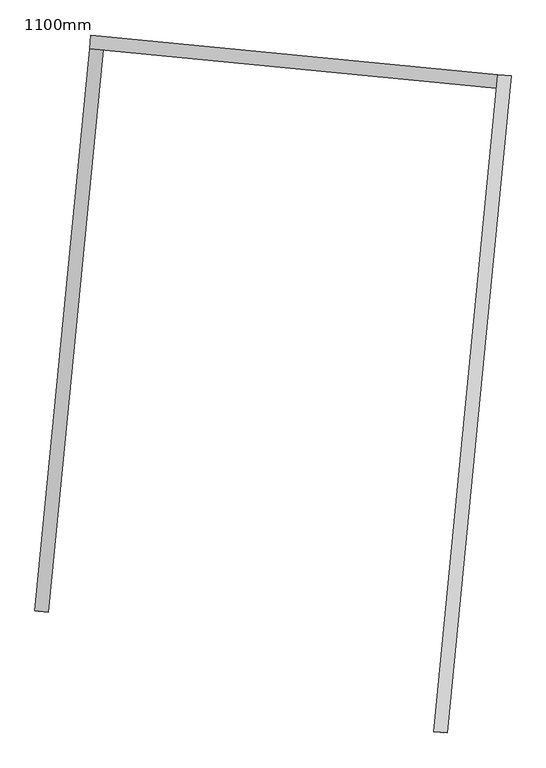
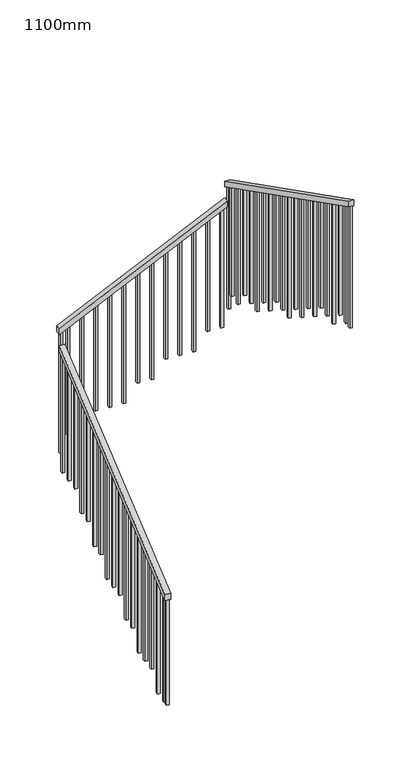
"""IFC4 building model written with IfcOpenShell, lengths in millimetres: railing geometry, 1100mm."""

import ifcopenshell
import ifcopenshell.guid

model = None  # the IFC model being written
_history = None  # IfcOwnerHistory: only IFC2X3 demands one
_inside = {}  # id of a spatial element -> (the spatial element, [elements in it])
_under = {}  # id of a project, library or spatial element -> (it, [spatial elements below it])
_declared = {}  # id of a project -> (the project, [libraries it declares])
_typed = {}  # id of a type object -> (the type object, [elements of that type])
_made_of = {}  # id of a material, layer set ... -> (it, [elements and type objects made of it])


def new_model(schema):
    """Start an empty IFC model of exactly this schema.

    Asked for "IFC4X3", IfcOpenShell would pick the latest addendum, in which some entities
    have other attributes; the version numbers below select the first issue.
    IFC2X3 requires an IfcOwnerHistory on every rooted entity: one is made here for all.
    """
    global model, _history
    if schema == "IFC4X3":
        model = ifcopenshell.file(schema_version=(4, 3, 0, 0))
    else:
        model = ifcopenshell.file(schema=schema)
    _inside.clear()
    _under.clear()
    _declared.clear()
    _typed.clear()
    _made_of.clear()
    _history = None
    if model.schema == "IFC2X3":
        org = make("IfcOrganization", Name="unknown")
        user = make(
            "IfcPersonAndOrganization",
            ThePerson=make("IfcPerson", FamilyName="unknown"),
            TheOrganization=org,
        )
        app = make(
            "IfcApplication",
            ApplicationDeveloper=org,
            Version="unknown",
            ApplicationFullName="unknown",
            ApplicationIdentifier="unknown",
        )
        _history = make(
            "IfcOwnerHistory",
            OwningUser=user,
            OwningApplication=app,
            ChangeAction="ADDED",
            CreationDate=0,
        )
    return model


def make(cls, **values):
    """One entity of the class cls with the attributes given. An attribute that is None is left unset."""
    return model.create_entity(
        cls, **{name: value for name, value in values.items() if value is not None}
    )


def rooted(cls, **values):
    """An entity with a GlobalId (a new one), such as an element, a storey or a relation."""
    return make(cls, GlobalId=ifcopenshell.guid.new(), OwnerHistory=_history, **values)


def si_unit(unit_type, name, prefix=None):
    """IfcSIUnit, for example si_unit("LENGTHUNIT", "METRE", prefix="MILLI")."""
    return make("IfcSIUnit", UnitType=unit_type, Prefix=prefix, Name=name)


def assignment(units):
    """IfcUnitAssignment: the units of a project."""
    return None if units is None else make("IfcUnitAssignment", Units=units)


def point(xyz):
    """IfcCartesianPoint."""
    return None if xyz is None else make("IfcCartesianPoint", Coordinates=xyz)


def direction(xyz):
    """IfcDirection."""
    return None if xyz is None else make("IfcDirection", DirectionRatios=xyz)


def frame(location, z_axis=None, x_axis=None):
    """IfcAxis2Placement3D, a coordinate frame: its origin and axes. An axis left out is left unset."""
    return make(
        "IfcAxis2Placement3D",
        Location=point(location),
        Axis=direction(z_axis),
        RefDirection=direction(x_axis),
    )


def origin():
    """The frame at (0, 0, 0) with its axes left unset."""
    return frame((0.0, 0.0, 0.0))


def place(relative_to, where):
    """IfcLocalPlacement: puts the frame where relative to a parent placement (None: the world)."""
    return make(
        "IfcLocalPlacement", PlacementRelTo=relative_to, RelativePlacement=where
    )


def context(
    kind, dimensions, precision=None, world=None, true_north=None, identifier=None
):
    """IfcGeometricRepresentationContext, for example the 3D "Model" context."""
    return make(
        "IfcGeometricRepresentationContext",
        ContextIdentifier=identifier,
        ContextType=kind,
        CoordinateSpaceDimension=dimensions,
        Precision=precision,
        WorldCoordinateSystem=world,
        TrueNorth=true_north,
    )


def project(units=None, contexts=None):
    """IfcProject with its units and contexts."""
    return rooted(
        "IfcProject",
        Name="project",
        RepresentationContexts=contexts,
        UnitsInContext=assignment(units),
    )


def spatial(cls, under=None, at=None, **own):
    """A site, building, storey or space (cls), placed at a placement, below another one or the project."""
    s = rooted(cls, ObjectPlacement=at, **own)
    if under is not None:
        _under.setdefault(under.id(), (under, []))[1].append(s)
    return s


def polyline(points):
    """IfcPolyline through the points."""
    return make("IfcPolyline", Points=[point(p) for p in points])


def outline(outer, holes=None, kind="AREA"):
    """IfcArbitraryClosedProfileDef: a profile drawn as a closed curve; with holes, ...WithVoids."""
    if holes is None:
        return make("IfcArbitraryClosedProfileDef", ProfileType=kind, OuterCurve=outer)
    return make(
        "IfcArbitraryProfileDefWithVoids",
        ProfileType=kind,
        OuterCurve=outer,
        InnerCurves=holes,
    )


def extrude(swept, where, along, depth):
    """IfcExtrudedAreaSolid: the profile swept, set in the frame where, extruded along a direction by depth."""
    return make(
        "IfcExtrudedAreaSolid",
        SweptArea=swept,
        Position=where,
        ExtrudedDirection=direction(along),
        Depth=depth,
    )


def shape(context_of_items, identifier, shape_type, items):
    """IfcShapeRepresentation: the items that make up one representation, for example the "Body"."""
    return make(
        "IfcShapeRepresentation",
        ContextOfItems=context_of_items,
        RepresentationIdentifier=identifier,
        RepresentationType=shape_type,
        Items=items,
    )


def source(mapping_origin, context_of_items, identifier, shape_type, items):
    """IfcRepresentationMap: a shape defined once, which mapped items show again and again."""
    return make(
        "IfcRepresentationMap",
        MappingOrigin=mapping_origin,
        MappedRepresentation=shape(context_of_items, identifier, shape_type, items),
    )


def transform(
    local_origin,
    x_axis=None,
    y_axis=None,
    z_axis=None,
    scale=None,
    scale2=None,
    scale3=None,
    uniform=True,
):
    """IfcCartesianTransformationOperator3D, or its non-uniform kind. x_axis, y_axis, z_axis: its Axis1, 2, 3."""
    if uniform:
        return make(
            "IfcCartesianTransformationOperator3D",
            Axis1=direction(x_axis),
            Axis2=direction(y_axis),
            LocalOrigin=point(local_origin),
            Scale=scale,
            Axis3=direction(z_axis),
        )
    return make(
        "IfcCartesianTransformationOperator3DnonUniform",
        Axis1=direction(x_axis),
        Axis2=direction(y_axis),
        LocalOrigin=point(local_origin),
        Scale=scale,
        Axis3=direction(z_axis),
        Scale2=scale2,
        Scale3=scale3,
    )


def mapped(mapping_source, mapping_target):
    """IfcMappedItem: shows the shape of a source again, moved by a transform."""
    return make(
        "IfcMappedItem", MappingSource=mapping_source, MappingTarget=mapping_target
    )


def made_of(thing, what):
    """Note that an element or type object is made of a material, layer set ...; save() writes the relation."""
    if what is not None:
        _made_of.setdefault(what.id(), (what, []))[1].append(thing)
    return thing


def element(
    cls,
    number,
    at=None,
    inside=None,
    cuts=None,
    type_object=None,
    material=None,
    context=None,
    identifier="Body",
    shape_type=None,
    held_by="IfcProductDefinitionShape",
    body=None,
    shapes=None,
    **own,
):
    """One element of the class cls, such as IfcWall. Its Tag is "e" and its number.

    at: its placement. inside: the storey or other place that contains it. cuts: it is an
    opening in that element (IfcRelVoidsElement). A single representation is given by context,
    identifier, shape_type and body (its items); several are given by shapes. held_by: the class
    of the entity that holds the representations. save() writes the other relations.
    """
    e = rooted(cls, Tag="e%d" % number, ObjectPlacement=at, **own)
    if body is not None:
        shapes = [shape(context, identifier, shape_type, body)]
    if shapes is not None:
        e.Representation = make(held_by, Representations=shapes)
    if inside is not None:
        _inside.setdefault(inside.id(), (inside, []))[1].append(e)
    if cuts is not None:
        rooted(
            "IfcRelVoidsElement", RelatingBuildingElement=cuts, RelatedOpeningElement=e
        )
    if type_object is not None:
        _typed.setdefault(type_object.id(), (type_object, []))[1].append(e)
    return made_of(e, material)


def aggregate(whole, parts):
    """IfcRelAggregates: a whole, such as a stair, and the parts it consists of."""
    return rooted("IfcRelAggregates", RelatingObject=whole, RelatedObjects=parts)


def save(model, path):
    """Write the relations noted so far, then the file.

    IfcRelAggregates (storeys below a building ...), IfcRelContainedInSpatialStructure (elements
    in a storey), IfcRelDefinesByType, IfcRelAssociatesMaterial and IfcRelDeclares: one each for
    every whole, place, type object, material and project.
    """
    for whole, parts in _under.values():
        aggregate(whole, parts)
    for where, things in _inside.values():
        rooted(
            "IfcRelContainedInSpatialStructure",
            RelatedElements=things,
            RelatingStructure=where,
        )
    for kind, things in _typed.values():
        rooted("IfcRelDefinesByType", RelatedObjects=things, RelatingType=kind)
    for what, things in _made_of.values():
        rooted("IfcRelAssociatesMaterial", RelatedObjects=things, RelatingMaterial=what)
    for by, libraries in _declared.values():
        rooted("IfcRelDeclares", RelatingContext=by, RelatedDefinitions=libraries)
    model.write(path)


def railing_1100mm_731d69bb(model_context):
    return source(origin(), model_context, "Body", "SweptSolid", [
        extrude(outline(polyline([(27.7777778, -50.0000001), (0.0, 0.0), (2374.1723104, 0.0), (2401.9500883, -50.0000001), (27.7777778, -50.0000001)])), frame((-285233.8927364, 23410.7490933, 5889.4687214), z_axis=(-0.9952945764558494, 0.09689533568532305, 0.0), x_axis=(0.08470176271154725, 0.8700439958930163, 0.4856429311789372)), (0.0, 0.0, 1.0), 50.0),
        extrude(outline(polyline([(27.7777778, -50.0), (0.0, 0.0), (1716.8535239, 0.0), (1744.6313017, -50.0), (27.7777778, -50.0)])), frame((-285082.5608855, 25481.228224, 7208.6909437), z_axis=(0.09689533568656869, 0.9952945764557283, 0.0), x_axis=(0.8700439958934215, -0.08470176271268626, 0.48564293117801255)), (0.0, 0.0, 1.0), 50.0),
        extrude(outline(polyline([(-27.7777778, -50.0), (0.0, 0.0), (2774.5579271, -1e-07), (2746.7801494, -50.0), (-27.7777778, -50.0)])), frame((-283534.2132896, 25380.7276663, 8265.8888889), z_axis=(-0.9952945764558305, 0.09689533568551667, 0.0), x_axis=(-0.08470176271175285, -0.8700439958933657, 0.48564293117827545)), (0.0, 0.0, 1.0), 50.0),
        extrude(outline(polyline([(1260.6353881, -25.0), (106.9444445, -25.0), (93.0555556, 0.0), (1260.6353881, 0.0), (1260.6353881, -25.0)])), frame((-283774.3585106, 23042.9966033, 9607.3020548), z_axis=(-0.9952945764558311, 0.09689533568551122, 0.0), x_axis=(0.0, 0.0, -1.0)), (0.0, 0.0, 1.0), 25.0),
        extrude(outline(polyline([(1191.1909436, -25.0), (106.9444444, -25.0), (93.0555555, 0.0), (1191.1909436, 0.0), (1191.1909436, -25.0)])), frame((-283762.2465937, 23167.4084254, 9537.8576103), z_axis=(-0.9952945764558311, 0.09689533568551122, 0.0), x_axis=(0.0, 0.0, -1.0)), (0.0, 0.0, 1.0), 25.0),
        extrude(outline(polyline([(1288.4131659, -25.0), (106.9444445, -25.0), (93.0555556, 0.0), (1288.4131659, 0.0), (1288.4131659, -25.0)])), frame((-283750.1346767, 23291.8202474, 9468.4131659), z_axis=(-0.9952945764558311, 0.09689533568551122, 0.0), x_axis=(0.0, 0.0, -1.0)), (0.0, 0.0, 1.0), 25.0),
        extrude(outline(polyline([(1218.9687214, -25.0), (106.9444444, -25.0), (93.0555555, 0.0), (1218.9687214, 0.0), (1218.9687214, -25.0)])), frame((-283738.0227597, 23416.2320695, 9398.9687214), z_axis=(-0.9952945764558311, 0.09689533568551122, 0.0), x_axis=(0.0, 0.0, -1.0)), (0.0, 0.0, 1.0), 25.0),
        extrude(outline(polyline([(1149.524277, -25.0), (106.9444445, -25.0), (93.0555556, 0.0), (1149.524277, 0.0), (1149.524277, -25.0)])), frame((-283725.9108428, 23540.6438915, 9329.524277), z_axis=(-0.9952945764558311, 0.09689533568551122, 0.0), x_axis=(0.0, 0.0, -1.0)), (0.0, 0.0, 1.0), 25.0),
        extrude(outline(polyline([(1246.7464992, -25.0), (106.9444444, -25.0), (93.0555555, 0.0), (1246.7464992, 0.0), (1246.7464992, -25.0)])), frame((-283713.7989258, 23665.0557136, 9260.0798325), z_axis=(-0.9952945764558311, 0.09689533568551122, 0.0), x_axis=(0.0, 0.0, -1.0)), (0.0, 0.0, 1.0), 25.0),
        extrude(outline(polyline([(1177.3020548, -25.0), (106.9444444, -25.0), (93.0555555, 0.0), (1177.3020548, 0.0), (1177.3020548, -25.0)])), frame((-283701.6870089, 23789.4675356, 9190.6353881), z_axis=(-0.9952945764558311, 0.09689533568551122, 0.0), x_axis=(0.0, 0.0, -1.0)), (0.0, 0.0, 1.0), 25.0),
        extrude(outline(polyline([(1274.524277, -25.0), (106.9444445, -25.0), (93.0555556, 0.0), (1274.524277, 0.0), (1274.524277, -25.0)])), frame((-283689.5750919, 23913.8793577, 9121.1909437), z_axis=(-0.9952945764558311, 0.09689533568551122, 0.0), x_axis=(0.0, 0.0, -1.0)), (0.0, 0.0, 1.0), 25.0),
        extrude(outline(polyline([(1205.0798325, -25.0), (106.9444444, -25.0), (93.0555555, 0.0), (1205.0798325, 0.0), (1205.0798325, -25.0)])), frame((-283677.4631749, 24038.2911798, 9051.7464992), z_axis=(-0.9952945764558311, 0.09689533568551122, 0.0), x_axis=(0.0, 0.0, -1.0)), (0.0, 0.0, 1.0), 25.0),
        extrude(outline(polyline([(1302.3020548, -25.0), (106.9444445, -25.0), (93.0555556, 0.0), (1302.3020548, 0.0), (1302.3020548, -25.0)])), frame((-283665.351258, 24162.7030018, 8982.3020548), z_axis=(-0.9952945764558311, 0.09689533568551122, 0.0), x_axis=(0.0, 0.0, -1.0)), (0.0, 0.0, 1.0), 25.0),
        extrude(outline(polyline([(1232.8576103, -25.0), (106.9444444, -25.0), (93.0555555, 0.0), (1232.8576103, 0.0), (1232.8576103, -25.0)])), frame((-283653.239341, 24287.1148239, 8912.8576103), z_axis=(-0.9952945764558311, 0.09689533568551122, 0.0), x_axis=(0.0, 0.0, -1.0)), (0.0, 0.0, 1.0), 25.0),
        extrude(outline(polyline([(1163.4131659, -25.0), (106.9444445, -25.0), (93.0555556, 0.0), (1163.4131659, 0.0), (1163.4131659, -25.0)])), frame((-283641.1274241, 24411.5266459, 8843.4131659), z_axis=(-0.9952945764558311, 0.09689533568551122, 0.0), x_axis=(0.0, 0.0, -1.0)), (0.0, 0.0, 1.0), 25.0),
        extrude(outline(polyline([(1260.6353881, -25.0), (106.9444444, -25.0), (93.0555555, 0.0), (1260.6353881, 0.0), (1260.6353881, -25.0)])), frame((-283629.0155071, 24535.938468, 8773.9687214), z_axis=(-0.9952945764558311, 0.09689533568551122, 0.0), x_axis=(0.0, 0.0, -1.0)), (0.0, 0.0, 1.0), 25.0),
        extrude(outline(polyline([(1191.1909437, -25.0), (106.9444445, -25.0), (93.0555556, 0.0), (1191.1909437, 0.0), (1191.1909437, -25.0)])), frame((-283616.9035901, 24660.35029, 8704.524277), z_axis=(-0.9952945764558311, 0.09689533568551122, 0.0), x_axis=(0.0, 0.0, -1.0)), (0.0, 0.0, 1.0), 25.0),
        extrude(outline(polyline([(1288.4131658, -25.0), (106.9444444, -25.0), (93.0555555, 0.0), (1288.4131658, 0.0), (1288.4131658, -25.0)])), frame((-283604.7916732, 24784.7621121, 8635.0798325), z_axis=(-0.9952945764558311, 0.09689533568551122, 0.0), x_axis=(0.0, 0.0, -1.0)), (0.0, 0.0, 1.0), 25.0),
        extrude(outline(polyline([(1218.9687214, -25.0000001), (106.9444444, -25.0000001), (93.0555556, 0.0), (1218.9687214, 0.0), (1218.9687214, -25.0000001)])), frame((-283592.6797562, 24909.1739341, 8565.6353881), z_axis=(-0.9952945764558311, 0.09689533568551122, 0.0), x_axis=(0.0, 0.0, -1.0)), (0.0, 0.0, 1.0), 25.0),
        extrude(outline(polyline([(1149.524277, -25.0), (106.9444445, -25.0), (93.0555556, 0.0), (1149.524277, 0.0), (1149.524277, -25.0)])), frame((-283580.5678393, 25033.5857562, 8496.1909437), z_axis=(-0.9952945764558311, 0.09689533568551122, 0.0), x_axis=(0.0, 0.0, -1.0)), (0.0, 0.0, 1.0), 25.0),
        extrude(outline(polyline([(1246.7464992, -25.0), (106.9444444, -25.0), (93.0555555, 0.0), (1246.7464992, 0.0), (1246.7464992, -25.0)])), frame((-283568.4559223, 25157.9975783, 8426.7464992), z_axis=(-0.9952945764558311, 0.09689533568551122, 0.0), x_axis=(0.0, 0.0, -1.0)), (0.0, 0.0, 1.0), 25.0),
        extrude(outline(polyline([(1177.3020548, -25.0), (106.9444445, -25.0), (93.0555556, 0.0), (1177.3020548, 0.0), (1177.3020548, -25.0)])), frame((-283556.3440053, 25282.4094003, 8357.3020548), z_axis=(-0.9952945764558311, 0.09689533568551122, 0.0), x_axis=(0.0, 0.0, -1.0)), (0.0, 0.0, 1.0), 25.0),
        extrude(outline(polyline([(106.9444445, 0.0), (1274.524277, 0.0), (1274.524277, -25.0), (93.0555556, -25.0), (106.9444445, 0.0)])), frame((-283638.172558, 25353.1711695, 8121.1909437), z_axis=(0.09689533568656906, 0.995294576455728, 0.0), x_axis=(0.0, 0.0, -1.0)), (0.0, 0.0, 1.0), 25.0),
        extrude(outline(polyline([(106.9444444, 0.0), (1205.0798325, 0.0), (1205.0798325, -25.0), (93.0555555, -25.0), (106.9444444, 0.0)])), frame((-283762.58438, 25365.2830865, 8051.7464992), z_axis=(0.09689533568656906, 0.995294576455728, 0.0), x_axis=(0.0, 0.0, -1.0)), (0.0, 0.0, 1.0), 25.0),
        extrude(outline(polyline([(106.9444445, 0.0), (1302.3020548, 0.0), (1302.3020548, -25.0), (93.0555556, -25.0), (106.9444445, 0.0)])), frame((-283886.9962021, 25377.3950034, 7982.3020548), z_axis=(0.09689533568656906, 0.995294576455728, 0.0), x_axis=(0.0, 0.0, -1.0)), (0.0, 0.0, 1.0), 25.0),
        extrude(outline(polyline([(106.9444444, 0.0), (1232.8576103, 0.0), (1232.8576103, -25.0), (93.0555555, -25.0), (106.9444444, 0.0)])), frame((-284011.4080241, 25389.5069204, 7912.8576103), z_axis=(0.09689533568656906, 0.995294576455728, 0.0), x_axis=(0.0, 0.0, -1.0)), (0.0, 0.0, 1.0), 25.0),
        extrude(outline(polyline([(106.9444445, 0.0), (1163.4131659, 0.0), (1163.4131659, -25.0), (93.0555556, -25.0), (106.9444445, 0.0)])), frame((-284135.8198462, 25401.6188373, 7843.4131659), z_axis=(0.09689533568656906, 0.995294576455728, 0.0), x_axis=(0.0, 0.0, -1.0)), (0.0, 0.0, 1.0), 25.0),
        extrude(outline(polyline([(106.9444444, 0.0), (1260.6353881, 0.0), (1260.6353881, -25.0), (93.0555555, -25.0), (106.9444444, 0.0)])), frame((-284260.2316682, 25413.7307543, 7773.9687214), z_axis=(0.09689533568656906, 0.995294576455728, 0.0), x_axis=(0.0, 0.0, -1.0)), (0.0, 0.0, 1.0), 25.0),
        extrude(outline(polyline([(106.9444445, 0.0), (1191.1909437, 0.0), (1191.1909437, -25.0), (93.0555556, -25.0), (106.9444445, 0.0)])), frame((-284384.6434903, 25425.8426713, 7704.524277), z_axis=(0.09689533568656906, 0.995294576455728, 0.0), x_axis=(0.0, 0.0, -1.0)), (0.0, 0.0, 1.0), 25.0),
        extrude(outline(polyline([(106.9444444, 0.0), (1288.4131658, 0.0), (1288.4131658, -25.0000001), (93.0555555, -25.0000001), (106.9444444, 0.0)])), frame((-284509.0553124, 25437.9545882, 7635.0798325), z_axis=(0.09689533568656906, 0.995294576455728, 0.0), x_axis=(0.0, 0.0, -1.0)), (0.0, 0.0, 1.0), 25.0),
        extrude(outline(polyline([(106.9444444, 0.0), (1218.9687214, 0.0), (1218.9687214, -25.0), (93.0555556, -25.0), (106.9444444, 0.0)])), frame((-284633.4671344, 25450.0665052, 7565.6353881), z_axis=(0.09689533568656906, 0.995294576455728, 0.0), x_axis=(0.0, 0.0, -1.0)), (0.0, 0.0, 1.0), 25.0),
        extrude(outline(polyline([(106.9444445, 0.0), (1149.524277, 0.0), (1149.524277, -25.0), (93.0555556, -25.0), (106.9444445, 0.0)])), frame((-284757.8789565, 25462.1784221, 7496.1909437), z_axis=(0.09689533568656906, 0.995294576455728, 0.0), x_axis=(0.0, 0.0, -1.0)), (0.0, 0.0, 1.0), 25.0),
        extrude(outline(polyline([(106.9444444, 0.0), (1246.7464992, 0.0), (1246.7464992, -25.0), (93.0555555, -25.0), (106.9444444, 0.0)])), frame((-284882.2907785, 25474.2903391, 7426.7464992), z_axis=(0.09689533568656906, 0.995294576455728, 0.0), x_axis=(0.0, 0.0, -1.0)), (0.0, 0.0, 1.0), 25.0),
        extrude(outline(polyline([(106.9444445, 0.0), (1177.3020548, 0.0), (1177.3020548, -25.0), (93.0555556, -25.0), (106.9444445, 0.0)])), frame((-285006.7026006, 25486.4022561, 7357.3020548), z_axis=(0.09689533568656906, 0.995294576455728, 0.0), x_axis=(0.0, 0.0, -1.0)), (0.0, 0.0, 1.0), 25.0),
        extrude(outline(polyline([(106.9444445, 0.0), (1288.6353881, 0.0), (1288.6353881, -25.0), (93.0555556, -25.0), (106.9444445, 0.0)])), frame((-285047.6984804, 25452.3141667, 7135.3020548), z_axis=(-0.9952945764558497, 0.09689533568531952, 0.0), x_axis=(0.0, 0.0, -1.0)), (0.0, 0.0, 1.0), 25.0),
        extrude(outline(polyline([(106.9444444, 0.0), (1219.1909436, 0.0), (1219.1909436, -25.0000001), (93.0555555, -25.0000001), (106.9444444, 0.0)])), frame((-285059.8103974, 25327.9023446, 7065.8576103), z_axis=(-0.9952945764558497, 0.09689533568531952, 0.0), x_axis=(0.0, 0.0, -1.0)), (0.0, 0.0, 1.0), 25.0),
        extrude(outline(polyline([(106.9444445, 0.0), (1149.7464992, 0.0), (1149.7464992, -25.0), (93.0555556, -25.0), (106.9444445, 0.0)])), frame((-285071.9223144, 25203.4905226, 6996.4131659), z_axis=(-0.9952945764558497, 0.09689533568531952, 0.0), x_axis=(0.0, 0.0, -1.0)), (0.0, 0.0, 1.0), 25.0),
        extrude(outline(polyline([(106.9444444, 0.0), (1246.9687214, 0.0), (1246.9687214, -25.0), (93.0555555, -25.0), (106.9444444, 0.0)])), frame((-285084.0342313, 25079.0787005, 6926.9687214), z_axis=(-0.9952945764558497, 0.09689533568531952, 0.0), x_axis=(0.0, 0.0, -1.0)), (0.0, 0.0, 1.0), 25.0),
        extrude(outline(polyline([(106.9444445, 0.0), (1177.524277, 0.0), (1177.524277, -25.0), (93.0555556, -25.0), (106.9444445, 0.0)])), frame((-285096.1461483, 24954.6668785, 6857.524277), z_axis=(-0.9952945764558497, 0.09689533568531952, 0.0), x_axis=(0.0, 0.0, -1.0)), (0.0, 0.0, 1.0), 25.0),
        extrude(outline(polyline([(106.9444444, 0.0), (1274.7464992, 0.0), (1274.7464992, -25.0), (93.0555555, -25.0), (106.9444444, 0.0)])), frame((-285108.2580652, 24830.2550564, 6788.0798325), z_axis=(-0.9952945764558497, 0.09689533568531952, 0.0), x_axis=(0.0, 0.0, -1.0)), (0.0, 0.0, 1.0), 25.0),
        extrude(outline(polyline([(106.9444444, 0.0), (1205.3020548, 0.0), (1205.3020548, -25.0), (93.0555556, -25.0), (106.9444444, 0.0)])), frame((-285120.3699822, 24705.8432344, 6718.6353881), z_axis=(-0.9952945764558497, 0.09689533568531952, 0.0), x_axis=(0.0, 0.0, -1.0)), (0.0, 0.0, 1.0), 25.0),
        extrude(outline(polyline([(106.9444445, 0.0), (1302.524277, 0.0), (1302.524277, -25.0), (93.0555556, -25.0), (106.9444445, 0.0)])), frame((-285132.4818992, 24581.4314123, 6649.1909437), z_axis=(-0.9952945764558497, 0.09689533568531952, 0.0), x_axis=(0.0, 0.0, -1.0)), (0.0, 0.0, 1.0), 25.0),
        extrude(outline(polyline([(106.9444444, 0.0), (1233.0798325, 0.0), (1233.0798325, -25.0000001), (93.0555555, -25.0000001), (106.9444444, 0.0)])), frame((-285144.5938161, 24457.0195902, 6579.7464992), z_axis=(-0.9952945764558497, 0.09689533568531952, 0.0), x_axis=(0.0, 0.0, -1.0)), (0.0, 0.0, 1.0), 25.0),
        extrude(outline(polyline([(106.9444445, 0.0), (1163.6353881, 0.0), (1163.6353881, -25.0), (93.0555556, -25.0), (106.9444445, 0.0)])), frame((-285156.7057331, 24332.6077682, 6510.3020548), z_axis=(-0.9952945764558497, 0.09689533568531952, 0.0), x_axis=(0.0, 0.0, -1.0)), (0.0, 0.0, 1.0), 25.0),
        extrude(outline(polyline([(106.9444444, 0.0), (1260.8576103, 0.0), (1260.8576103, -25.0), (93.0555555, -25.0), (106.9444444, 0.0)])), frame((-285168.81765, 24208.1959461, 6440.8576103), z_axis=(-0.9952945764558497, 0.09689533568531952, 0.0), x_axis=(0.0, 0.0, -1.0)), (0.0, 0.0, 1.0), 25.0),
        extrude(outline(polyline([(106.9444445, 0.0), (1191.4131659, 0.0), (1191.4131659, -25.0), (93.0555556, -25.0), (106.9444445, 0.0)])), frame((-285180.929567, 24083.7841241, 6371.4131659), z_axis=(-0.9952945764558497, 0.09689533568531952, 0.0), x_axis=(0.0, 0.0, -1.0)), (0.0, 0.0, 1.0), 25.0),
        extrude(outline(polyline([(106.9444444, 0.0), (1288.6353881, 0.0), (1288.6353881, -25.0), (93.0555555, -25.0), (106.9444444, 0.0)])), frame((-285193.041484, 23959.372302, 6301.9687214), z_axis=(-0.9952945764558497, 0.09689533568531952, 0.0), x_axis=(0.0, 0.0, -1.0)), (0.0, 0.0, 1.0), 25.0),
        extrude(outline(polyline([(106.9444445, 0.0), (1219.1909437, 0.0), (1219.1909437, -25.0), (93.0555556, -25.0), (106.9444445, 0.0)])), frame((-285205.1534009, 23834.96048, 6232.524277), z_axis=(-0.9952945764558497, 0.09689533568531952, 0.0), x_axis=(0.0, 0.0, -1.0)), (0.0, 0.0, 1.0), 25.0),
        extrude(outline(polyline([(106.9444444, 0.0), (1149.7464992, 0.0), (1149.7464992, -25.0), (93.0555555, -25.0), (106.9444444, 0.0)])), frame((-285217.2653179, 23710.5486579, 6163.0798325), z_axis=(-0.9952945764558497, 0.09689533568531952, 0.0), x_axis=(0.0, 0.0, -1.0)), (0.0, 0.0, 1.0), 25.0),
        extrude(outline(polyline([(106.9444444, 0.0), (1246.9687214, 0.0), (1246.9687214, -25.0000001), (93.0555556, -25.0000001), (106.9444444, 0.0)])), frame((-285229.3772348, 23586.1368358, 6093.6353881), z_axis=(-0.9952945764558497, 0.09689533568531952, 0.0), x_axis=(0.0, 0.0, -1.0)), (0.0, 0.0, 1.0), 25.0),
        extrude(outline(polyline([(106.9444445, 0.0), (1177.524277, 0.0), (1177.524277, -25.0), (93.0555556, -25.0), (106.9444445, 0.0)])), frame((-285241.4891518, 23461.7250138, 6024.1909437), z_axis=(-0.9952945764558497, 0.09689533568531952, 0.0), x_axis=(0.0, 0.0, -1.0)), (0.0, 0.0, 1.0), 25.0),
        extrude(outline(polyline([(1309.2464993, -25.0000001), (106.9444445, -25.0000001), (93.0555556, 0.0), (1309.2464993, 0.0), (1309.2464993, -25.0000001)])), frame((-283550.2880469, 25344.6153113, 8322.5798326), z_axis=(-0.9952945764558311, 0.09689533568551122, 0.0), x_axis=(0.0, 0.0, -1.0)), (0.0, 0.0, 1.0), 25.0),
        extrude(outline(polyline([(106.9444445, 0.0), (1309.2464993, 0.0), (1309.2464993, -25.0), (93.0555556, -25.0), (106.9444445, 0.0)])), frame((-285068.9085116, 25492.4582145, 7322.5798326), z_axis=(0.09689533568656906, 0.995294576455728, 0.0), x_axis=(0.0, 0.0, -1.0)), (0.0, 0.0, 1.0), 25.0),
        extrude(outline(polyline([(1302.524277, -25.0), (106.9444445, -25.0), (93.0555556, 0.0), (1302.524277, 0.0), (1302.524277, -25.0)])), frame((-283781.6644189, 22967.9513922, 9649.1909437), z_axis=(-0.9952945764558311, 0.09689533568551122, 0.0), x_axis=(0.0, 0.0, -1.0)), (0.0, 0.0, 1.0), 25.0),
        extrude(outline(polyline([(106.9444445, 0.0), (1149.7464992, 0.0), (1149.7464992, -25.0), (93.0555556, -25.0), (106.9444445, 0.0)])), frame((-285246.3339186, 23411.960285, 5996.4131659), z_axis=(-0.9952945764558497, 0.09689533568531952, 0.0), x_axis=(0.0, 0.0, -1.0)), (0.0, 0.0, 1.0), 25.0),
    ])


if __name__ == "__main__":
    model = new_model("IFC4")
    model_context = context("Model", 3, world=origin())
    ifc_project = project(units=[si_unit("LENGTHUNIT", "METRE", prefix="MILLI")], contexts=[model_context])
    site = spatial("IfcSite", under=ifc_project)
    building = spatial("IfcBuilding", under=site)
    placement = place(None, origin())
    railing_1100mm_shape = railing_1100mm_731d69bb(model_context)
    element("IfcRailing", 1, ObjectType="1100mm", at=placement, inside=building, context=model_context, shape_type="MappedRepresentation", body=[
        mapped(railing_1100mm_shape, transform((0.0, 0.0, 0.0), x_axis=(1.0, 0.0, 0.0), y_axis=(0.0, 1.0, 0.0), z_axis=(0.0, 0.0, 1.0))),
    ])
    save(model, "model.ifc")
